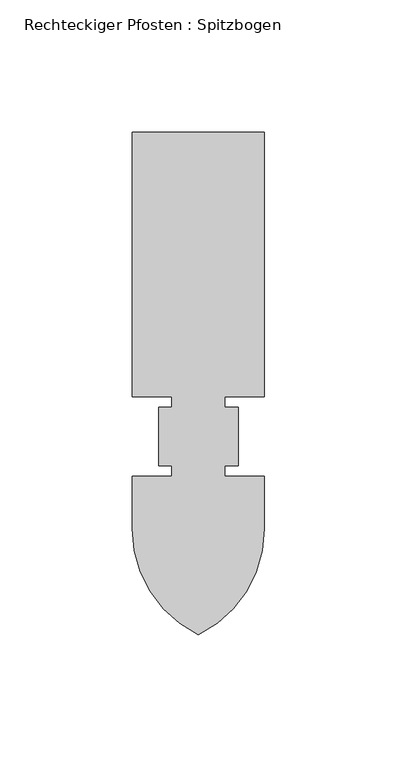
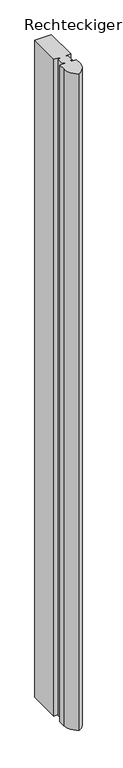
"""IFC4 building model written with IfcOpenShell, lengths in millimetres: member geometry, Rechteckiger Pfosten : Spitzbogen."""

import ifcopenshell
import ifcopenshell.guid

model = None  # the IFC model being written
_history = None  # IfcOwnerHistory: only IFC2X3 demands one
_inside = {}  # id of a spatial element -> (the spatial element, [elements in it])
_under = {}  # id of a project, library or spatial element -> (it, [spatial elements below it])
_declared = {}  # id of a project -> (the project, [libraries it declares])
_typed = {}  # id of a type object -> (the type object, [elements of that type])
_made_of = {}  # id of a material, layer set ... -> (it, [elements and type objects made of it])


def new_model(schema):
    """Start an empty IFC model of exactly this schema.

    Asked for "IFC4X3", IfcOpenShell would pick the latest addendum, in which some entities
    have other attributes; the version numbers below select the first issue.
    IFC2X3 requires an IfcOwnerHistory on every rooted entity: one is made here for all.
    """
    global model, _history
    if schema == "IFC4X3":
        model = ifcopenshell.file(schema_version=(4, 3, 0, 0))
    else:
        model = ifcopenshell.file(schema=schema)
    _inside.clear()
    _under.clear()
    _declared.clear()
    _typed.clear()
    _made_of.clear()
    _history = None
    if model.schema == "IFC2X3":
        org = make("IfcOrganization", Name="unknown")
        user = make(
            "IfcPersonAndOrganization",
            ThePerson=make("IfcPerson", FamilyName="unknown"),
            TheOrganization=org,
        )
        app = make(
            "IfcApplication",
            ApplicationDeveloper=org,
            Version="unknown",
            ApplicationFullName="unknown",
            ApplicationIdentifier="unknown",
        )
        _history = make(
            "IfcOwnerHistory",
            OwningUser=user,
            OwningApplication=app,
            ChangeAction="ADDED",
            CreationDate=0,
        )
    return model


def make(cls, **values):
    """One entity of the class cls with the attributes given. An attribute that is None is left unset."""
    return model.create_entity(
        cls, **{name: value for name, value in values.items() if value is not None}
    )


def rooted(cls, **values):
    """An entity with a GlobalId (a new one), such as an element, a storey or a relation."""
    return make(cls, GlobalId=ifcopenshell.guid.new(), OwnerHistory=_history, **values)


def si_unit(unit_type, name, prefix=None):
    """IfcSIUnit, for example si_unit("LENGTHUNIT", "METRE", prefix="MILLI")."""
    return make("IfcSIUnit", UnitType=unit_type, Prefix=prefix, Name=name)


def assignment(units):
    """IfcUnitAssignment: the units of a project."""
    return None if units is None else make("IfcUnitAssignment", Units=units)


def point(xyz):
    """IfcCartesianPoint."""
    return None if xyz is None else make("IfcCartesianPoint", Coordinates=xyz)


def direction(xyz):
    """IfcDirection."""
    return None if xyz is None else make("IfcDirection", DirectionRatios=xyz)


def frame(location, z_axis=None, x_axis=None):
    """IfcAxis2Placement3D, a coordinate frame: its origin and axes. An axis left out is left unset."""
    return make(
        "IfcAxis2Placement3D",
        Location=point(location),
        Axis=direction(z_axis),
        RefDirection=direction(x_axis),
    )


def frame_2d(location, x_axis=None):
    """IfcAxis2Placement2D, a coordinate frame in the plane: its origin and x axis."""
    return make(
        "IfcAxis2Placement2D", Location=point(location), RefDirection=direction(x_axis)
    )


def origin():
    """The frame at (0, 0, 0) with its axes left unset."""
    return frame((0.0, 0.0, 0.0))


def place(relative_to, where):
    """IfcLocalPlacement: puts the frame where relative to a parent placement (None: the world)."""
    return make(
        "IfcLocalPlacement", PlacementRelTo=relative_to, RelativePlacement=where
    )


def context(
    kind, dimensions, precision=None, world=None, true_north=None, identifier=None
):
    """IfcGeometricRepresentationContext, for example the 3D "Model" context."""
    return make(
        "IfcGeometricRepresentationContext",
        ContextIdentifier=identifier,
        ContextType=kind,
        CoordinateSpaceDimension=dimensions,
        Precision=precision,
        WorldCoordinateSystem=world,
        TrueNorth=true_north,
    )


def project(units=None, contexts=None):
    """IfcProject with its units and contexts."""
    return rooted(
        "IfcProject",
        Name="project",
        RepresentationContexts=contexts,
        UnitsInContext=assignment(units),
    )


def spatial(cls, under=None, at=None, **own):
    """A site, building, storey or space (cls), placed at a placement, below another one or the project."""
    s = rooted(cls, ObjectPlacement=at, **own)
    if under is not None:
        _under.setdefault(under.id(), (under, []))[1].append(s)
    return s


def polyline(points):
    """IfcPolyline through the points."""
    return make("IfcPolyline", Points=[point(p) for p in points])


def circle_curve(where, radius):
    """IfcCircle in the frame where."""
    return make("IfcCircle", Position=where, Radius=radius)


def trimmed(basis, trim1, trim2, sense, master):
    """IfcTrimmedCurve: the piece of a basis curve between two trims."""
    return make(
        "IfcTrimmedCurve",
        BasisCurve=basis,
        Trim1=trim1,
        Trim2=trim2,
        SenseAgreement=sense,
        MasterRepresentation=master,
    )


def segment(curve, same_sense, transition):
    """IfcCompositeCurveSegment."""
    return make(
        "IfcCompositeCurveSegment",
        Transition=transition,
        SameSense=same_sense,
        ParentCurve=curve,
    )


def composite_curve(segments, self_intersect=None):
    """IfcCompositeCurve: segments joined end to end."""
    return make("IfcCompositeCurve", Segments=segments, SelfIntersect=self_intersect)


def outline(outer, holes=None, kind="AREA"):
    """IfcArbitraryClosedProfileDef: a profile drawn as a closed curve; with holes, ...WithVoids."""
    if holes is None:
        return make("IfcArbitraryClosedProfileDef", ProfileType=kind, OuterCurve=outer)
    return make(
        "IfcArbitraryProfileDefWithVoids",
        ProfileType=kind,
        OuterCurve=outer,
        InnerCurves=holes,
    )


def extrude(swept, where, along, depth):
    """IfcExtrudedAreaSolid: the profile swept, set in the frame where, extruded along a direction by depth."""
    return make(
        "IfcExtrudedAreaSolid",
        SweptArea=swept,
        Position=where,
        ExtrudedDirection=direction(along),
        Depth=depth,
    )


def shape(context_of_items, identifier, shape_type, items):
    """IfcShapeRepresentation: the items that make up one representation, for example the "Body"."""
    return make(
        "IfcShapeRepresentation",
        ContextOfItems=context_of_items,
        RepresentationIdentifier=identifier,
        RepresentationType=shape_type,
        Items=items,
    )


def source(mapping_origin, context_of_items, identifier, shape_type, items):
    """IfcRepresentationMap: a shape defined once, which mapped items show again and again."""
    return make(
        "IfcRepresentationMap",
        MappingOrigin=mapping_origin,
        MappedRepresentation=shape(context_of_items, identifier, shape_type, items),
    )


def transform(
    local_origin,
    x_axis=None,
    y_axis=None,
    z_axis=None,
    scale=None,
    scale2=None,
    scale3=None,
    uniform=True,
):
    """IfcCartesianTransformationOperator3D, or its non-uniform kind. x_axis, y_axis, z_axis: its Axis1, 2, 3."""
    if uniform:
        return make(
            "IfcCartesianTransformationOperator3D",
            Axis1=direction(x_axis),
            Axis2=direction(y_axis),
            LocalOrigin=point(local_origin),
            Scale=scale,
            Axis3=direction(z_axis),
        )
    return make(
        "IfcCartesianTransformationOperator3DnonUniform",
        Axis1=direction(x_axis),
        Axis2=direction(y_axis),
        LocalOrigin=point(local_origin),
        Scale=scale,
        Axis3=direction(z_axis),
        Scale2=scale2,
        Scale3=scale3,
    )


def mapped(mapping_source, mapping_target):
    """IfcMappedItem: shows the shape of a source again, moved by a transform."""
    return make(
        "IfcMappedItem", MappingSource=mapping_source, MappingTarget=mapping_target
    )


def made_of(thing, what):
    """Note that an element or type object is made of a material, layer set ...; save() writes the relation."""
    if what is not None:
        _made_of.setdefault(what.id(), (what, []))[1].append(thing)
    return thing


def element(
    cls,
    number,
    at=None,
    inside=None,
    cuts=None,
    type_object=None,
    material=None,
    context=None,
    identifier="Body",
    shape_type=None,
    held_by="IfcProductDefinitionShape",
    body=None,
    shapes=None,
    **own,
):
    """One element of the class cls, such as IfcWall. Its Tag is "e" and its number.

    at: its placement. inside: the storey or other place that contains it. cuts: it is an
    opening in that element (IfcRelVoidsElement). A single representation is given by context,
    identifier, shape_type and body (its items); several are given by shapes. held_by: the class
    of the entity that holds the representations. save() writes the other relations.
    """
    e = rooted(cls, Tag="e%d" % number, ObjectPlacement=at, **own)
    if body is not None:
        shapes = [shape(context, identifier, shape_type, body)]
    if shapes is not None:
        e.Representation = make(held_by, Representations=shapes)
    if inside is not None:
        _inside.setdefault(inside.id(), (inside, []))[1].append(e)
    if cuts is not None:
        rooted(
            "IfcRelVoidsElement", RelatingBuildingElement=cuts, RelatedOpeningElement=e
        )
    if type_object is not None:
        _typed.setdefault(type_object.id(), (type_object, []))[1].append(e)
    return made_of(e, material)


def aggregate(whole, parts):
    """IfcRelAggregates: a whole, such as a stair, and the parts it consists of."""
    return rooted("IfcRelAggregates", RelatingObject=whole, RelatedObjects=parts)


def save(model, path):
    """Write the relations noted so far, then the file.

    IfcRelAggregates (storeys below a building ...), IfcRelContainedInSpatialStructure (elements
    in a storey), IfcRelDefinesByType, IfcRelAssociatesMaterial and IfcRelDeclares: one each for
    every whole, place, type object, material and project.
    """
    for whole, parts in _under.values():
        aggregate(whole, parts)
    for where, things in _inside.values():
        rooted(
            "IfcRelContainedInSpatialStructure",
            RelatedElements=things,
            RelatingStructure=where,
        )
    for kind, things in _typed.values():
        rooted("IfcRelDefinesByType", RelatedObjects=things, RelatingType=kind)
    for what, things in _made_of.values():
        rooted("IfcRelAssociatesMaterial", RelatedObjects=things, RelatingMaterial=what)
    for by, libraries in _declared.values():
        rooted("IfcRelDeclares", RelatingContext=by, RelatedDefinitions=libraries)
    model.write(path)


def rechteckiger_pfosten_spitzbogen_d5c2ce3d(model_context):
    return source(origin(), model_context, "Body", "SweptSolid", [
        extrude(outline(composite_curve([segment(polyline([(-25.0, 115.0), (25.0, 115.0), (25.0, 15.0), (10.0, 15.0), (10.0, 11.0), (15.0, 11.0), (15.0, -11.0), (10.0, -11.0), (10.0, -15.0), (25.0, -15.0), (25.0, -35.0)]), True, "CONTINUOUS"), segment(trimmed(circle_curve(frame_2d((-19.5, -35.0)), 44.5), [point((25.0, -35.0))], [point((0.0, -75.0))], False, "CARTESIAN"), True, "CONTINUOUS"), segment(trimmed(circle_curve(frame_2d((19.5, -35.0)), 44.5), [point((0.0, -75.0))], [point((-25.0, -35.0))], False, "CARTESIAN"), True, "CONTINUOUS"), segment(polyline([(-25.0, -35.0), (-25.0, -15.0), (-10.0, -15.0), (-10.0, -11.0), (-15.0, -11.0), (-15.0, 11.0), (-10.0, 11.0), (-10.0, 15.0), (-25.0, 15.0), (-25.0, 115.0)]), True, "CONTINUOUS")], self_intersect=False)), frame((0.0, 0.0, -2100.0), z_axis=(0.0, 0.0, 1.0), x_axis=(1.0, 0.0, 0.0)), (0.0, 0.0, 1.0), 2100.0),
    ])


if __name__ == "__main__":
    model = new_model("IFC4")
    model_context = context("Model", 3, world=origin())
    ifc_project = project(units=[si_unit("LENGTHUNIT", "METRE", prefix="MILLI")], contexts=[model_context])
    site = spatial("IfcSite", under=ifc_project)
    building = spatial("IfcBuilding", under=site)
    placement = place(None, origin())
    rechteckiger_pfosten_spitzbogen_shape = rechteckiger_pfosten_spitzbogen_d5c2ce3d(model_context)
    element("IfcMember", 1, ObjectType="Rechteckiger Pfosten : Spitzbogen", at=placement, inside=building, context=model_context, shape_type="MappedRepresentation", body=[
        mapped(rechteckiger_pfosten_spitzbogen_shape, transform((0.0, 0.0, 0.0), x_axis=(1.0, 0.0, 0.0), y_axis=(0.0, 1.0, 0.0), z_axis=(0.0, 0.0, 1.0))),
    ])
    save(model, "model.ifc")
